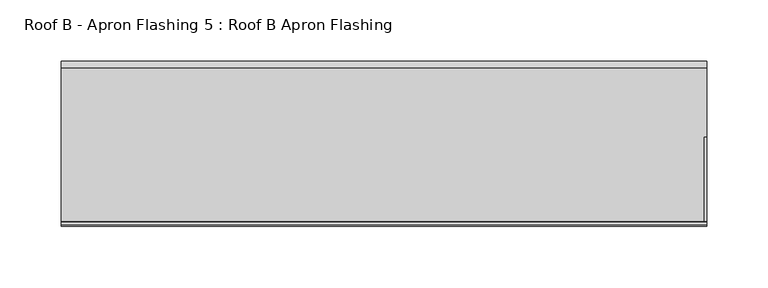
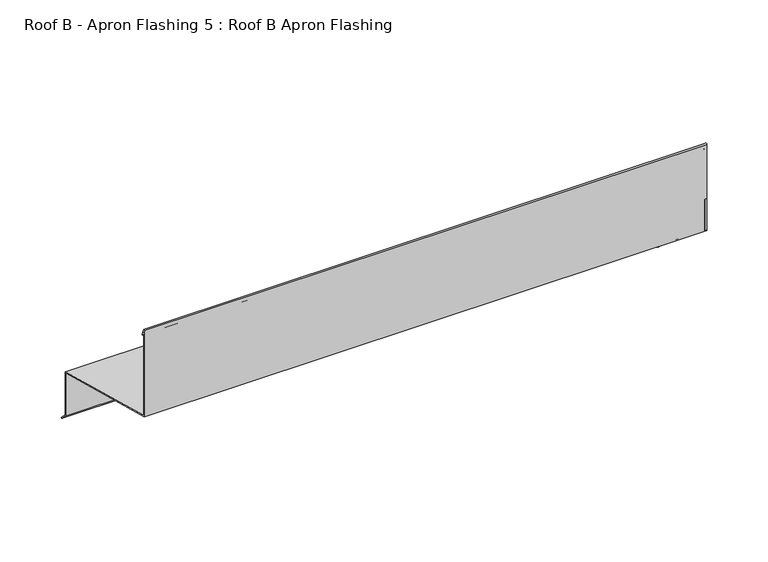
"""IFC4 building model written with IfcOpenShell, lengths in millimetres: proxy geometry, Roof B - Apron Flashing 5 : Roof B Apron Flashing."""

from ifc_helpers import new_model, si_unit, point, frame, frame_2d, origin, place, context, project, spatial, polyline, circle_curve, trimmed, segment, composite_curve, outline, extrude, source, transform, mapped, element, save


def roof_b_apron_flashing_5_roof_b_apron_flashing_e3d7acf9(model_context):
    return source(origin(), model_context, "Body", "SweptSolid", [
        extrude(outline(polyline([(673.2344915, -388.7215885), (622.9865096, -375.2576823), (622.9865096, -332.6364744), (673.2344915, -346.1003806), (673.2344915, -388.7215885)])), frame((13694.3541786, 0.0, 0.0), z_axis=(1.0, 0.0, 0.0), x_axis=(0.0, 1.0, 0.0)), (0.0, 0.0, 1.0), 2.0),
        extrude(outline(polyline([(617.9865096, -330.2614523), (544.8615096, -310.6676676), (544.8615096, -279.7934577), (617.9865096, -299.3872424), (617.9865096, -330.2614523)])), frame((13694.3541786, 0.0, 0.0), z_axis=(1.0, 0.0, 0.0), x_axis=(0.0, 1.0, 0.0)), (0.0, 0.0, 1.0), 2.0),
        extrude(outline(composite_curve([segment(polyline([(674.2344915, -345.3330536), (674.2344915, -388.338713), (680.2651268, -394.3693483), (679.55802, -395.0764551), (673.2344915, -388.7529266), (673.2344915, -346.1003806), (544.8615096, -311.7029438), (544.8615096, -225.8538686)]), True, "CONTINUOUS"), segment(trimmed(circle_curve(frame_2d((545.5405538, -225.8538686)), 0.6790442), [point((544.8615096, -225.8538686))], [point((546.1701526, -225.5994942))], False, "CARTESIAN"), True, "CONTINUOUS"), segment(polyline([(546.1701526, -225.5994942), (548.5846074, -231.5754797)]), True, "CONTINUOUS"), segment(trimmed(circle_curve(frame_2d((548.1210155, -231.762783)), 0.5), [point((548.5846074, -231.5754797))], [point((547.6574236, -231.9500863))], False, "CARTESIAN"), True, "CONTINUOUS"), segment(polyline([(547.6574236, -231.9500863), (545.8615096, -227.5050431), (545.8615096, -310.9356168), (674.2344915, -345.3330536)]), True, "CONTINUOUS")], self_intersect=False)), frame((13167.4791786, 0.0, 0.0), z_axis=(1.0, 0.0, 0.0), x_axis=(0.0, 1.0, 0.0)), (0.0, 0.0, 1.0), 528.875),
    ])


if __name__ == "__main__":
    model = new_model("IFC4")
    model_context = context("Model", 3, world=origin())
    ifc_project = project(units=[si_unit("LENGTHUNIT", "METRE", prefix="MILLI")], contexts=[model_context])
    site = spatial("IfcSite", under=ifc_project)
    building = spatial("IfcBuilding", under=site)
    placement = place(None, origin())
    roof_b_apron_flashing_5_roof_b_apron_flashing_shape = roof_b_apron_flashing_5_roof_b_apron_flashing_e3d7acf9(model_context)
    element("IfcBuildingElementProxy", 1, Name="Roof B - Apron Flashing 5 : Roof B Apron Flashing", ObjectType="Roof B - Apron Flashing 5 : Roof B Apron Flashing", at=placement, inside=building, context=model_context, shape_type="MappedRepresentation", body=[
        mapped(roof_b_apron_flashing_5_roof_b_apron_flashing_shape, transform((0.0, 0.0, 0.0), x_axis=(1.0, 0.0, 0.0), y_axis=(0.0, 1.0, 0.0), z_axis=(0.0, 0.0, 1.0))),
    ])
    save(model, "model.ifc")
